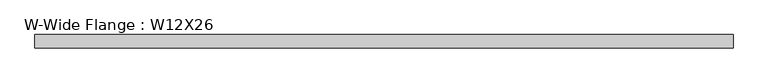
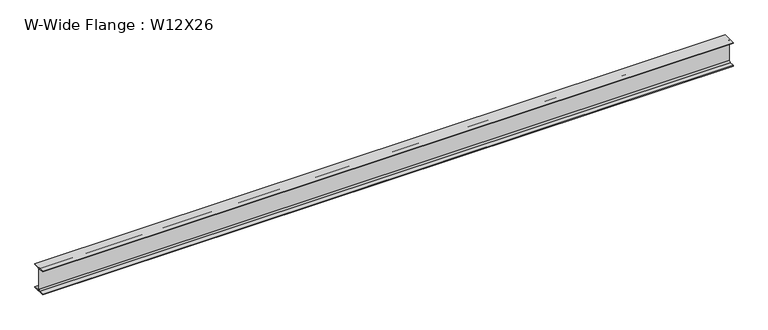
"""IFC4 building model written with IfcOpenShell, lengths in millimetres: beam geometry, W-Wide Flange : W12X26."""

from ifc_helpers import new_model, si_unit, point, frame, frame_2d, origin, place, context, project, spatial, polyline, circle_curve, trimmed, segment, composite_curve, outline, extrude, source, transform, mapped, element, save


def w_wide_flange_w12x26_fbdf9ecd(model_context):
    return source(origin(), model_context, "Body", "SweptSolid", [
        extrude(outline(composite_curve([segment(polyline([(82.4011719, -145.5539063), (82.4011719, -155.178125), (-82.4011719, -155.178125), (-82.4011719, -145.5539063), (-20.2902344, -145.5539063)]), True, "CONTINUOUS"), segment(trimmed(circle_curve(frame_2d((-20.2902344, -128.190625)), 17.3632812), [point((-20.2902344, -145.5539063))], [point((-2.9269531, -128.190625))], True, "CARTESIAN"), True, "CONTINUOUS"), segment(polyline([(-2.9269531, -128.190625), (-2.9269531, 128.190625)]), True, "CONTINUOUS"), segment(trimmed(circle_curve(frame_2d((-20.2902344, 128.190625)), 17.3632812), [point((-2.9269531, 128.190625))], [point((-20.2902344, 145.5539062))], True, "CARTESIAN"), True, "CONTINUOUS"), segment(polyline([(-20.2902344, 145.5539062), (-82.4011719, 145.5539062), (-82.4011719, 155.178125), (82.4011719, 155.178125), (82.4011719, 145.5539062), (20.2902344, 145.5539062)]), True, "CONTINUOUS"), segment(trimmed(circle_curve(frame_2d((20.2902344, 128.190625)), 17.3632812), [point((20.2902344, 145.5539062))], [point((2.9269531, 128.190625))], True, "CARTESIAN"), True, "CONTINUOUS"), segment(polyline([(2.9269531, 128.190625), (2.9269531, -128.190625)]), True, "CONTINUOUS"), segment(trimmed(circle_curve(frame_2d((20.2902344, -128.190625)), 17.3632812), [point((2.9269531, -128.190625))], [point((20.2902344, -145.5539063))], True, "CARTESIAN"), True, "CONTINUOUS"), segment(polyline([(20.2902344, -145.5539063), (82.4011719, -145.5539063)]), True, "CONTINUOUS")], self_intersect=False)), frame((-4368.8, 0.0, 0.0), z_axis=(1.0, 0.0, 0.0), x_axis=(0.0, 1.0, 0.0)), (0.0, 0.0, 1.0), 8566.8312031),
    ])


if __name__ == "__main__":
    model = new_model("IFC4")
    model_context = context("Model", 3, world=origin())
    ifc_project = project(units=[si_unit("LENGTHUNIT", "METRE", prefix="MILLI")], contexts=[model_context])
    site = spatial("IfcSite", under=ifc_project)
    building = spatial("IfcBuilding", under=site)
    placement = place(None, origin())
    w_wide_flange_w12x26_shape = w_wide_flange_w12x26_fbdf9ecd(model_context)
    element("IfcBeam", 1, ObjectType="W-Wide Flange : W12X26", at=placement, inside=building, context=model_context, shape_type="MappedRepresentation", body=[
        mapped(w_wide_flange_w12x26_shape, transform((0.0, 0.0, 0.0), x_axis=(1.0, 0.0, 0.0), y_axis=(0.0, 1.0, 0.0), z_axis=(0.0, 0.0, 1.0))),
    ])
    save(model, "model.ifc")
